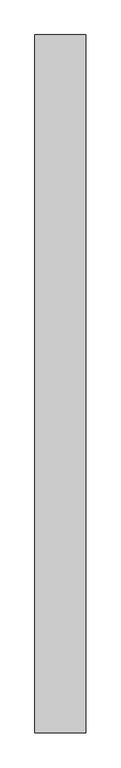
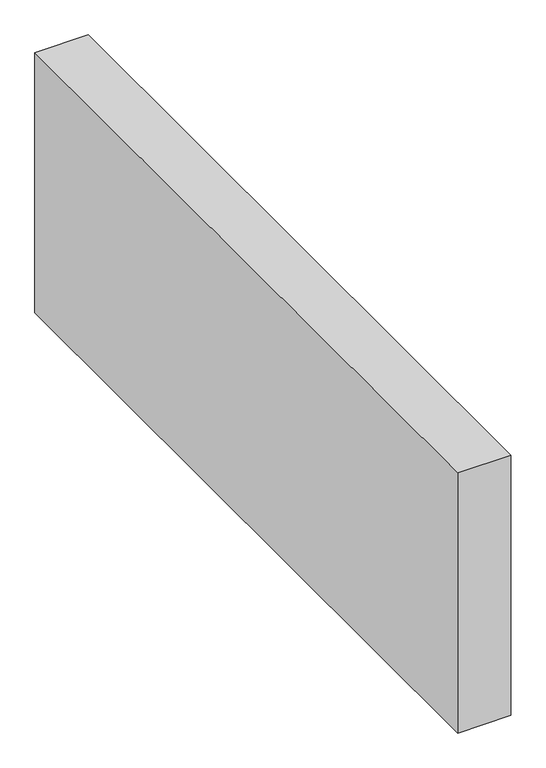
"""IFC4 building model written with IfcOpenShell, lengths in millimetres: proxy geometry."""

from ifc_helpers import new_model, si_unit, origin, origin_with_axes, place, context, project, spatial, polyline, outline, extrude, source, transform, mapped, element, save


def generic_models_8f49e268(model_context):
    return source(origin(), model_context, "Body", "SweptSolid", [
        extrude(outline(polyline([(150.0, 2065.6222687), (150.0, 0.0), (0.0, 0.0), (0.0, 2065.6222687), (150.0, 2065.6222687)])), origin_with_axes(), (0.0, 0.0, 1.0), 776.6553396),
    ])


if __name__ == "__main__":
    model = new_model("IFC4")
    model_context = context("Model", 3, world=origin())
    ifc_project = project(units=[si_unit("LENGTHUNIT", "METRE", prefix="MILLI")], contexts=[model_context])
    site = spatial("IfcSite", under=ifc_project)
    building = spatial("IfcBuilding", under=site)
    placement = place(None, origin())
    generic_models_shape = generic_models_8f49e268(model_context)
    element("IfcBuildingElementProxy", 1, Name="Generic Models", at=placement, inside=building, context=model_context, shape_type="MappedRepresentation", body=[
        mapped(generic_models_shape, transform((0.0, 0.0, 0.0), x_axis=(1.0, 0.0, 0.0), y_axis=(0.0, 1.0, 0.0), z_axis=(0.0, 0.0, 1.0))),
    ])
    save(model, "model.ifc")
